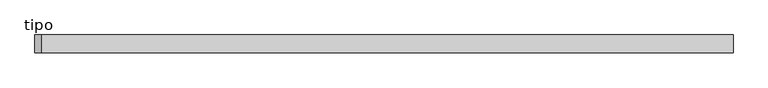
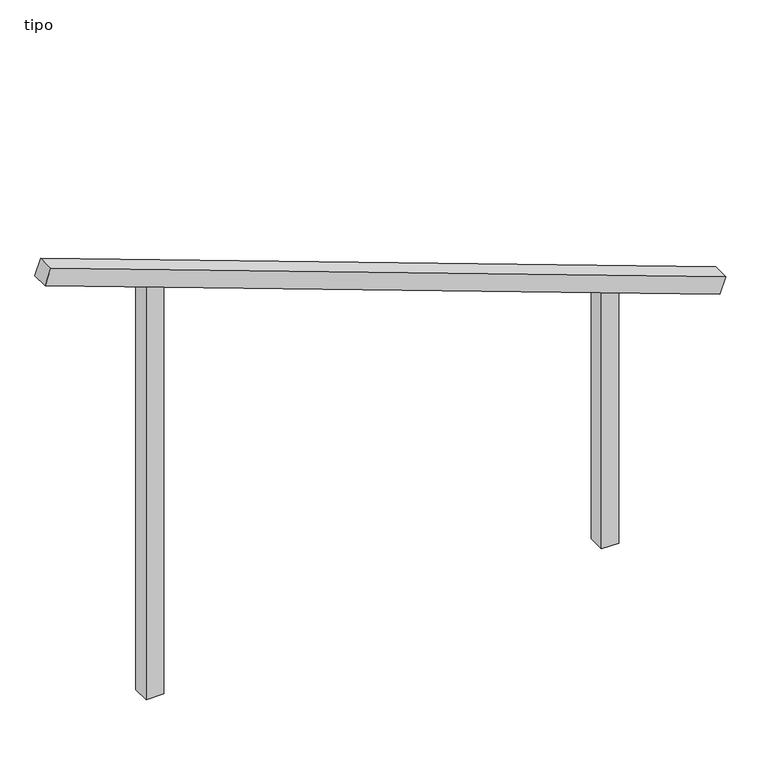
"""IFC4 building model written with IfcOpenShell, lengths in millimetres: proxy geometry, tipo."""

from ifc_helpers import new_model, si_unit, frame, origin, place, context, project, spatial, polyline, outline, extrude, source, transform, mapped, element, save


def tipo_9b836344(model_context):
    return source(origin(), model_context, "Body", "SweptSolid", [
        extrude(outline(polyline([(0.0, -4100.0), (0.0, 0.0), (100.0, 0.0), (100.0, -4100.0), (0.0, -4100.0)])), frame((-1926.8503634, -100.0, 2699.8197461), z_axis=(0.34137548590628713, 0.0, 0.9399270065394687), x_axis=(0.0, 1.0, 0.0)), (0.0, 0.0, 1.0), 100.0),
        extrude(outline(polyline([(1509.6886218, 1350.0), (1546.0079832, 1250.0), (0.0, 1250.0), (0.0, 1350.0), (1509.6886218, 1350.0)])), frame((0.0, -100.0, 0.0), z_axis=(0.0, 1.0, 0.0), x_axis=(0.0, 0.0, 1.0)), (0.0, 0.0, 1.0), 100.0),
        extrude(outline(polyline([(2490.3113782, -1350.0), (0.0, -1350.0), (0.0, -1250.0), (2453.9920168, -1250.0), (2490.3113782, -1350.0)])), frame((0.0, -100.0, 0.0), z_axis=(0.0, 1.0, 0.0), x_axis=(0.0, 0.0, 1.0)), (0.0, 0.0, 1.0), 100.0),
    ])


if __name__ == "__main__":
    model = new_model("IFC4")
    model_context = context("Model", 3, world=origin())
    ifc_project = project(units=[si_unit("LENGTHUNIT", "METRE", prefix="MILLI")], contexts=[model_context])
    site = spatial("IfcSite", under=ifc_project)
    building = spatial("IfcBuilding", under=site)
    placement = place(None, origin())
    tipo_shape = tipo_9b836344(model_context)
    element("IfcBuildingElementProxy", 1, Name="tipo", ObjectType="tipo", at=placement, inside=building, context=model_context, shape_type="MappedRepresentation", body=[
        mapped(tipo_shape, transform((0.0, 0.0, 0.0), x_axis=(1.0, 0.0, 0.0), y_axis=(0.0, 1.0, 0.0), z_axis=(0.0, 0.0, 1.0))),
    ])
    save(model, "model.ifc")
